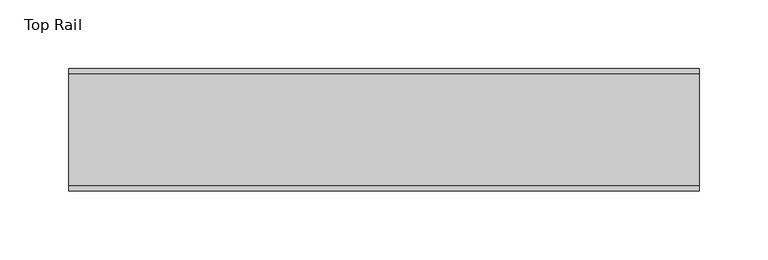
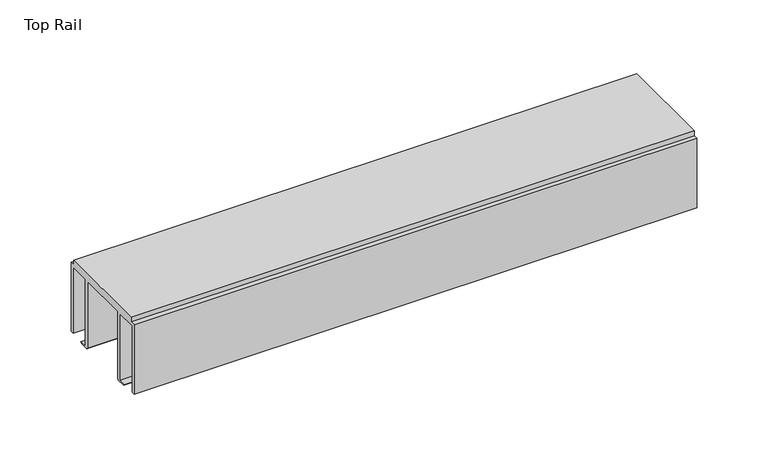
"""IFC4 building model written with IfcOpenShell, lengths in millimetres: furniture geometry, Top Rail."""

from ifc_helpers import new_model, si_unit, frame, origin, place, context, project, spatial, polyline, outline, extrude, source, transform, mapped, element, save


def top_rail_99ac61fe(model_context):
    return source(origin(), model_context, "Body", "SweptSolid", [
        extrude(outline(polyline([(59.951805, -4.0000001), (59.951805, -63.5), (57.1518064, -63.5), (57.1518064, -6.6000002), (39.7518058, -6.6000002), (39.7518058, -63.9424102), (46.1177636, -63.9424102), (44.9726737, -65.0875), (37.5968955, -65.0875), (36.4518057, -63.9424102), (36.4518057, -6.6000002), (-5.4481956, -6.6000002), (-5.4481956, -63.9424102), (-6.5932854, -65.0875), (-13.9690637, -65.0875), (-15.1141535, -63.9424102), (-8.7481957, -63.9424102), (-8.7481957, -6.6000002), (-26.1481963, -6.6000002), (-26.1481963, -63.5), (-28.948195, -63.5), (-28.948195, -4.0000001), (-24.9481962, -4.0000001), (-24.9481962, 0.0), (55.9518063, 0.0), (55.9518063, -4.0000001), (59.951805, -4.0000001)])), frame((-198.6228469, 0.0, 0.0), z_axis=(1.0, 0.0, 0.0), x_axis=(0.0, 1.0, 0.0)), (0.0, 0.0, 1.0), 457.2),
    ])


if __name__ == "__main__":
    model = new_model("IFC4")
    model_context = context("Model", 3, world=origin())
    ifc_project = project(units=[si_unit("LENGTHUNIT", "METRE", prefix="MILLI")], contexts=[model_context])
    site = spatial("IfcSite", under=ifc_project)
    building = spatial("IfcBuilding", under=site)
    placement = place(None, origin())
    top_rail_shape = top_rail_99ac61fe(model_context)
    element("IfcFurniture", 1, ObjectType="Top Rail", at=placement, inside=building, context=model_context, shape_type="MappedRepresentation", body=[
        mapped(top_rail_shape, transform((0.0, 0.0, 0.0), x_axis=(1.0, 0.0, 0.0), y_axis=(0.0, 1.0, 0.0), z_axis=(0.0, 0.0, 1.0))),
    ])
    save(model, "model.ifc")
